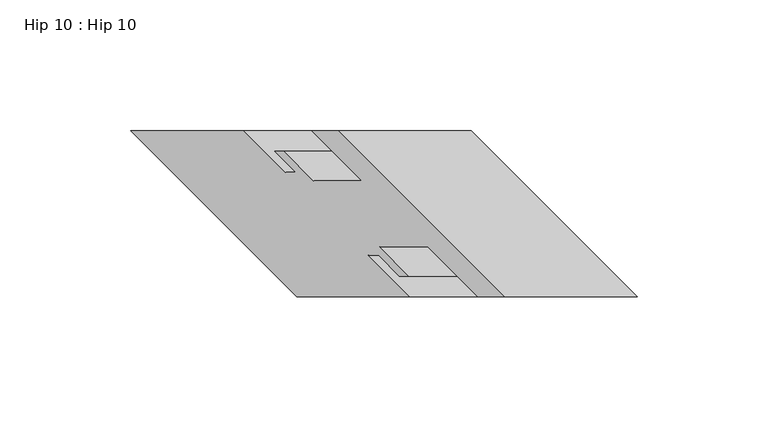
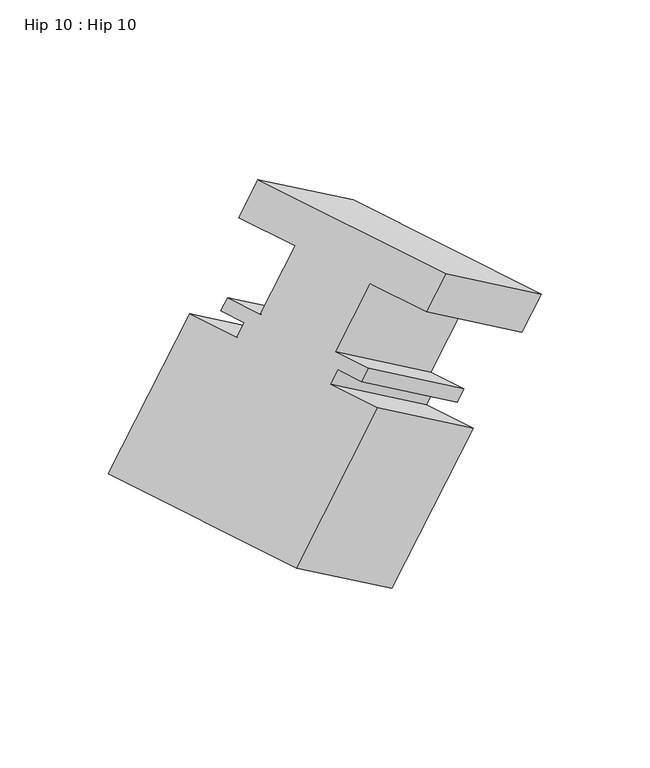
"""IFC4 building model written with IfcOpenShell, lengths in millimetres: proxy geometry, Hip 10 : Hip 10."""

from ifc_helpers import new_model, si_unit, origin, place, context, project, spatial, faceted_brep, source, transform, mapped, element, save


def hip_10_hip_10_ac417f57(model_context):
    return source(origin(), model_context, "Body", "Brep", [
        faceted_brep([(-5790.5404507, 6043.5039257, 646.9132135), (-5739.8729703, 6043.5039257, 617.66033), (-5803.3729703, 6107.0039257, 654.3220721), (-5854.0404507, 6107.0039257, 683.5749555), (-5813.6917203, 6107.0039257, 636.4494728), (-5864.3592007, 6107.0039257, 665.7023563), (-5794.6607703, 6087.9539257, 625.4179546), (-5845.3282507, 6087.9539257, 654.6708381), (-5813.0388609, 6087.9539257, 593.5861679), (-5863.7063414, 6087.9539257, 622.8390514), (-5824.1640609, 6099.0791257, 600.0093051), (-5874.8315414, 6099.0791257, 629.2621886), (-5827.7950703, 6099.0791257, 593.7202124), (-5878.4625507, 6099.0791257, 622.9730959), (-5819.8448703, 6091.1289257, 589.1301623), (-5870.5123507, 6091.1289257, 618.3830458), (-5823.7945703, 6091.1289257, 582.2890812), (-5874.4620507, 6091.1289257, 611.5419647), (-5839.6695703, 6107.0039257, 591.4545167), (-5890.3370507, 6107.0039257, 620.7074002), (-5882.9384703, 6107.0039257, 516.5105835), (-5933.6059507, 6107.0039257, 545.763467), (-5819.4384703, 6043.5039257, 479.8488415), (-5870.1059507, 6043.5039257, 509.1017249), (-5776.1695703, 6043.5039257, 554.7927746), (-5826.8370507, 6043.5039257, 584.0456581), (-5792.0445703, 6059.3789257, 563.9582102), (-5842.7120507, 6059.3789257, 593.2110936), (-5788.0948703, 6059.3789257, 570.7992912), (-5838.7623507, 6059.3789257, 600.0521747), (-5780.1446703, 6051.4287257, 566.2092411), (-5830.8121507, 6051.4287257, 595.4621246), (-5776.5632703, 6051.4287257, 572.4124079), (-5827.2307507, 6051.4287257, 601.6652914), (-5787.6884703, 6062.5539257, 578.8355451), (-5838.3559507, 6062.5539257, 608.0884286), (-5769.2607703, 6062.5539257, 610.7532578), (-5819.9282507, 6062.5539257, 640.0061412), (-5750.2107703, 6043.5039257, 599.7547351), (-5800.8782507, 6043.5039257, 629.0076186)], [[[0, 1, 2, 3]], [[3, 2, 4, 5]], [[5, 4, 6, 7]], [[7, 6, 8, 9]], [[9, 8, 10, 11]], [[11, 10, 12, 13]], [[13, 12, 14, 15]], [[15, 14, 16, 17]], [[17, 16, 18, 19]], [[19, 18, 20, 21]], [[21, 20, 22, 23]], [[23, 22, 24, 25]], [[25, 24, 26, 27]], [[27, 26, 28, 29]], [[29, 28, 30, 31]], [[31, 30, 32, 33]], [[33, 32, 34, 35]], [[35, 34, 36, 37]], [[37, 36, 38, 39]], [[1, 0, 39, 38]], [[2, 1, 38, 36, 34, 32, 30, 28, 26, 24, 22, 20, 18, 16, 14, 12, 10, 8, 6, 4]], [[0, 3, 5, 7, 9, 11, 13, 15, 17, 19, 21, 23, 25, 27, 29, 31, 33, 35, 37, 39]]]),
    ])


if __name__ == "__main__":
    model = new_model("IFC4")
    model_context = context("Model", 3, world=origin())
    ifc_project = project(units=[si_unit("LENGTHUNIT", "METRE", prefix="MILLI")], contexts=[model_context])
    site = spatial("IfcSite", under=ifc_project)
    building = spatial("IfcBuilding", under=site)
    placement = place(None, origin())
    hip_10_hip_10_shape = hip_10_hip_10_ac417f57(model_context)
    element("IfcBuildingElementProxy", 1, Name="Hip 10 : Hip 10", ObjectType="Hip 10 : Hip 10", at=placement, inside=building, context=model_context, shape_type="MappedRepresentation", body=[
        mapped(hip_10_hip_10_shape, transform((0.0, 0.0, 0.0), x_axis=(1.0, 0.0, 0.0), y_axis=(0.0, 1.0, 0.0), z_axis=(0.0, 0.0, 1.0))),
    ])
    save(model, "model.ifc")
